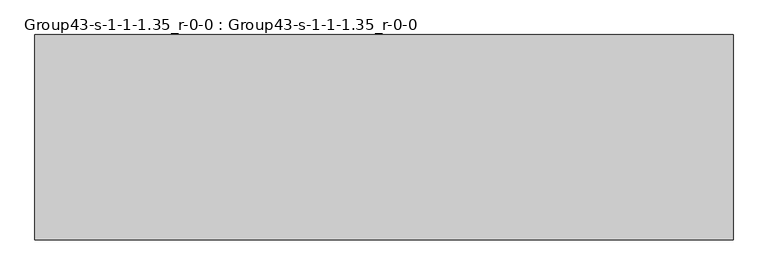
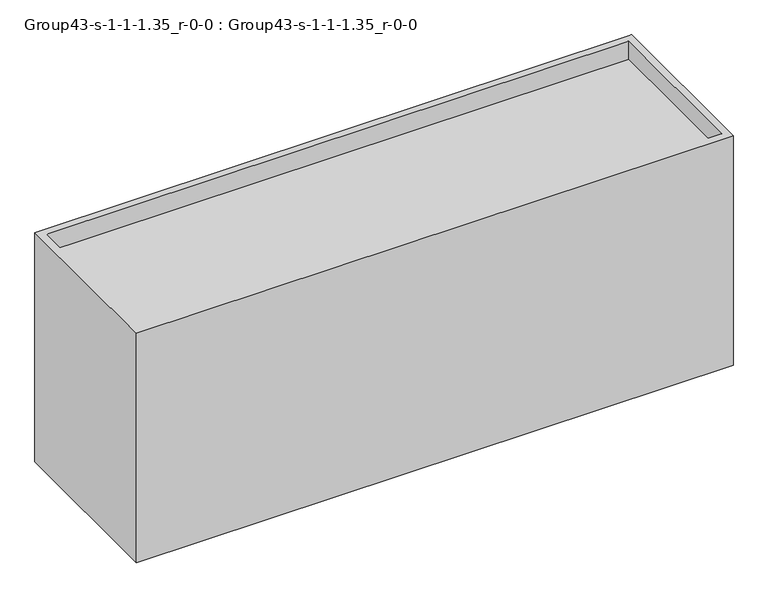
"""IFC4 building model written with IfcOpenShell, lengths in millimetres: geographic element geometry, Group43-s-1-1-1.35_r-0-0 : Group43-s-1-1-1.35_r-0-0."""

from ifc_helpers import new_model, si_unit, origin, place, context, project, spatial, triangles, source, transform, mapped, element, save


def group43_s_1_1_1_35_r_0_0_group43_s_1_1_1_35_r_0_0_82325988(model_context):
    return source(origin(), model_context, "Body", "Tessellation", [
        triangles([(16976.7253876, 7585.0748062, 0.0), (-8792.4749451, 0.0, 0.0), (-8792.4749451, 7585.0748062, 0.0), (16976.7253876, 0.0, 0.0), (16976.7253876, 0.0, 10472.8549347), (16976.7253876, 7585.0748062, 10472.8549347), (-8487.6749451, 7280.2748062, 9649.8952835), (-8487.6749451, 304.8, 10472.8549347), (-8487.6749451, 304.8, 9649.8952835), (-8487.6749451, 7280.2748062, 10472.8549347), (16671.9253876, 304.8, 9649.8952835), (16671.9253876, 304.8, 10472.8549347), (16671.9253876, 7280.2748062, 10472.8549347), (16671.9253876, 7280.2748062, 9649.8952835), (-8792.4749451, 7585.0748062, 10472.8549347), (-8792.4749451, 0.0, 10472.8549347)], [[1, 2, 3], [2, 1, 4], [1, 5, 4], [5, 1, 6], [7, 8, 9], [8, 7, 10], [8, 11, 9], [11, 8, 12], [13, 11, 12], [11, 13, 14], [15, 1, 3], [1, 15, 6], [16, 8, 15], [8, 16, 5], [8, 5, 12], [12, 5, 13], [15, 10, 6], [10, 15, 8], [6, 10, 13], [6, 13, 5], [13, 7, 14], [7, 13, 10], [4, 16, 2], [16, 4, 5], [11, 7, 9], [7, 11, 14], [16, 3, 2], [3, 16, 15]]),
    ])


if __name__ == "__main__":
    model = new_model("IFC4")
    model_context = context("Model", 3, world=origin())
    ifc_project = project(units=[si_unit("LENGTHUNIT", "METRE", prefix="MILLI")], contexts=[model_context])
    site = spatial("IfcSite", under=ifc_project)
    building = spatial("IfcBuilding", under=site)
    placement = place(None, origin())
    group43_s_1_1_1_35_r_0_0_group43_s_1_1_1_35_r_0_0_shape = group43_s_1_1_1_35_r_0_0_group43_s_1_1_1_35_r_0_0_82325988(model_context)
    element("IfcGeographicElement", 1, ObjectType="Group43-s-1-1-1.35_r-0-0 : Group43-s-1-1-1.35_r-0-0", at=placement, inside=building, context=model_context, shape_type="MappedRepresentation", body=[
        mapped(group43_s_1_1_1_35_r_0_0_group43_s_1_1_1_35_r_0_0_shape, transform((0.0, 0.0, 0.0), x_axis=(1.0, 0.0, 0.0), y_axis=(0.0, 1.0, 0.0), z_axis=(0.0, 0.0, 1.0))),
    ])
    save(model, "model.ifc")
